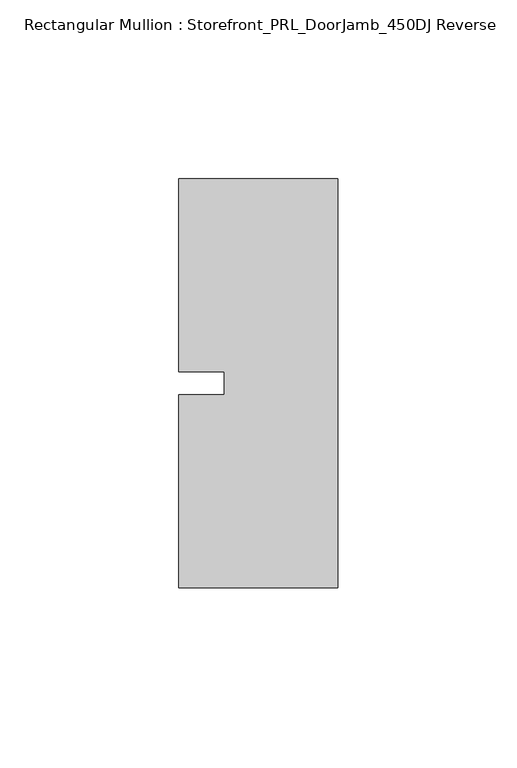
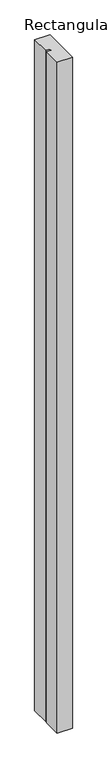
"""IFC4 building model written with IfcOpenShell, lengths in millimetres: member geometry, Rectangular Mullion : Storefront_PRL_DoorJamb_450DJ Reverse."""

from ifc_helpers import new_model, si_unit, frame, origin, place, context, project, spatial, polyline, outline, extrude, source, transform, mapped, element, save


def rectangular_mullion_storefront_prl_doorjamb_450dj_reverse_24f0c72c(model_context):
    return source(origin(), model_context, "Body", "SweptSolid", [
        extrude(outline(polyline([(-9.525, -3.175), (-9.525, 3.175), (-22.225, 3.175), (-22.225, 57.15), (22.225, 57.15), (22.225, -57.15), (-22.225, -57.15), (-22.225, -3.175), (-9.525, -3.175)])), frame((0.0, 0.0, -2078.83125), z_axis=(0.0, 0.0, 1.0), x_axis=(1.0, 0.0, 0.0)), (0.0, 0.0, 1.0), 2078.83125),
    ])


if __name__ == "__main__":
    model = new_model("IFC4")
    model_context = context("Model", 3, world=origin())
    ifc_project = project(units=[si_unit("LENGTHUNIT", "METRE", prefix="MILLI")], contexts=[model_context])
    site = spatial("IfcSite", under=ifc_project)
    building = spatial("IfcBuilding", under=site)
    placement = place(None, origin())
    rectangular_mullion_storefront_prl_doorjamb_450dj_reverse_shape = rectangular_mullion_storefront_prl_doorjamb_450dj_reverse_24f0c72c(model_context)
    element("IfcMember", 1, ObjectType="Rectangular Mullion : Storefront_PRL_DoorJamb_450DJ Reverse", at=placement, inside=building, context=model_context, shape_type="MappedRepresentation", body=[
        mapped(rectangular_mullion_storefront_prl_doorjamb_450dj_reverse_shape, transform((0.0, 0.0, 0.0), x_axis=(1.0, 0.0, 0.0), y_axis=(0.0, 1.0, 0.0), z_axis=(0.0, 0.0, 1.0))),
    ])
    save(model, "model.ifc")
